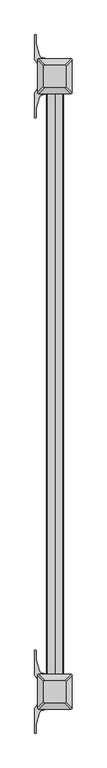
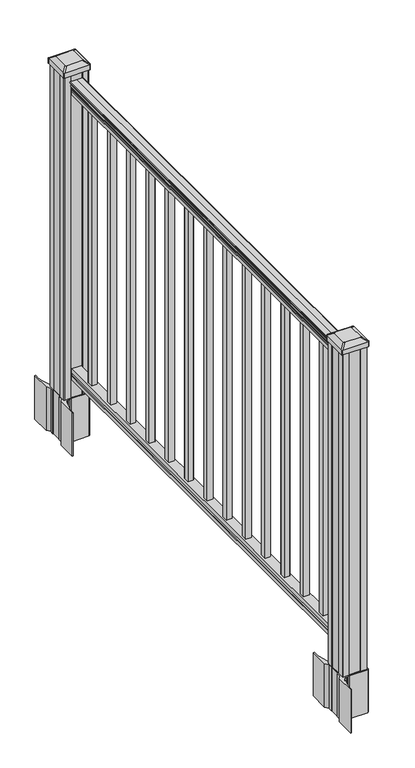
"""IFC4 building model written with IfcOpenShell, lengths in millimetres: railing geometry."""

from ifc_helpers import new_model, si_unit, point, frame, frame_2d, origin, origin_with_axes, place, context, project, spatial, polyline, circle_curve, trimmed, segment, composite_curve, outline, extrude, faceted_brep, source, transform, mapped, element, save
from ifc_brep_helpers import plane_surface, cylinder_surface, revolved_surface, extruded_surface, advanced_brep


def railing_4439e542(model_context):
    return source(origin(), model_context, "Body", "SolidModel", [
        advanced_brep(
        [(3028.4868644, -6376.9137002, 1090.8043297), (3028.4868644, -6376.9137002, 1092.692412), (3029.6170507, -6376.9137002, 1094.2546695), (3029.6170507, -6376.9137002, 1101.4726458), (3028.9677942, -6376.9137002, 1103.9060812), (3031.4677942, -6376.9137002, 1108.2362083), (3032.8771367, -6376.9137002, 1109.9157972), (3033.2790357, -6376.9137002, 1111.0205318), (3033.2790356, -6376.9137002, 1112.3608158), (3031.7255884, -6376.9137002, 1113.914263), (3011.0540356, -6376.9137002, 1113.914263), (2990.3824828, -6376.9137002, 1113.914263), (2988.8290356, -6376.9137002, 1112.3608158), (2988.8290356, -6376.9137002, 1111.0205318), (2989.2309345, -6376.9137002, 1109.9157972), (2990.640277, -6376.9137002, 1108.2362083), (2993.140277, -6376.9137002, 1103.9060812), (2992.4910206, -6376.9137002, 1101.4726458), (2992.4910206, -6376.9137002, 1094.2546695), (2993.6212069, -6376.9137002, 1092.692412), (2993.6212069, -6376.9137002, 1090.8043297), (2996.1950356, -6376.9137002, 1090.8043297), (2996.1950356, -6376.9137002, 1080.3048283), (2995.1790356, -6376.9137002, 1079.2888283), (2995.1790356, -6376.9137002, 1066.8), (3026.9290356, -6376.9137002, 1066.8), (3026.9290356, -6376.9137002, 1079.131013), (3025.9130356, -6376.9137002, 1080.147013), (3025.9130356, -6376.9137002, 1090.8043297), (3028.4868644, -4852.9137002, 1090.8043297), (3025.9130356, -4852.9137002, 1090.8043297), (3025.9130356, -4852.9137002, 1080.147013), (3026.9290356, -4852.9137002, 1079.131013), (3026.9290356, -4852.9137002, 1066.8), (2995.1790356, -4852.9137002, 1066.8), (2995.1790356, -4852.9137002, 1079.2888283), (2996.1950356, -4852.9137002, 1080.3048283), (2996.1950356, -4852.9137002, 1090.8043297), (2993.6212069, -4852.9137002, 1090.8043297), (2993.6212069, -4852.9137002, 1092.692412), (2992.4910206, -4852.9137002, 1094.2546695), (2992.4910206, -4852.9137002, 1101.4726458), (2993.140277, -4852.9137002, 1103.9060812), (2990.640277, -4852.9137002, 1108.2362083), (2989.2309345, -4852.9137002, 1109.9157972), (2988.8290355, -4852.9137002, 1111.0205318), (2988.8290356, -4852.9137002, 1112.3608158), (2990.3824828, -4852.9137002, 1113.914263), (3011.0540356, -4852.9137002, 1113.914263), (3031.7255884, -4852.9137002, 1113.914263), (3033.2790356, -4852.9137002, 1112.3608158), (3033.2790356, -4852.9137002, 1111.0205318), (3032.8771367, -4852.9137002, 1109.9157972), (3031.4677942, -4852.9137002, 1108.2362083), (3028.9677942, -4852.9137002, 1103.9060812), (3029.6170507, -4852.9137002, 1101.4726458), (3029.6170507, -4852.9137002, 1094.2546695), (3028.4868644, -4852.9137002, 1092.692412)],
        [
            (0, 1),
            (1, 2, circle_curve(frame((3022.1721111, -6376.9137002, 1098.4506383), z_axis=(0.0, -1.0, 0.0), x_axis=(-1.0, 0.0, 0.0)), 8.545951)),
            (2, 3, circle_curve(frame((3022.609174, -6376.9137002, 1097.8636577), z_axis=(0.0, -1.0, 0.0), x_axis=(-1.0, 0.0, 0.0)), 7.882584)),
            (3, 4, circle_curve(frame((3033.1224982, -6376.9137002, 1103.7112527), z_axis=(0.0, 1.0, 0.0), x_axis=(-1.0, 0.0, 0.0)), 4.1592695)),
            (4, 5, circle_curve(frame((3034.4098047, -6376.9137002, 1103.6508864), z_axis=(0.0, 1.0, 0.0), x_axis=(-1.0, 0.0, 0.0)), 5.4479907)),
            (5, 6, circle_curve(frame((3033.1766463, -6376.9137002, 1108.233395), z_axis=(0.0, 1.0, 0.0), x_axis=(-1.0, 0.0, 0.0)), 1.7088543)),
            (6, 7, circle_curve(frame((3031.5597462, -6376.9137002, 1111.0205318), z_axis=(0.0, -1.0, 0.0), x_axis=(-1.0, 0.0, 0.0)), 1.7192895)),
            (7, 8),
            (8, 9, circle_curve(frame((3031.7255884, -6376.9137002, 1112.3608158), z_axis=(0.0, -1.0, 0.0), x_axis=(-1.0, 0.0, 0.0)), 1.5534472)),
            (9, 10),
            (10, 11),
            (11, 12, circle_curve(frame((2990.3824828, -6376.9137002, 1112.3608158), z_axis=(0.0, -1.0, 0.0), x_axis=(1.0, 0.0, 0.0)), 1.5534472)),
            (12, 13),
            (13, 14, circle_curve(frame((2990.548325, -6376.9137002, 1111.0205318), z_axis=(0.0, -1.0, 0.0), x_axis=(1.0, 0.0, 0.0)), 1.7192895)),
            (14, 15, circle_curve(frame((2988.931425, -6376.9137002, 1108.233395), z_axis=(0.0, 1.0, 0.0), x_axis=(1.0, 0.0, 0.0)), 1.7088543)),
            (15, 16, circle_curve(frame((2987.6982665, -6376.9137002, 1103.6508864), z_axis=(0.0, 1.0, 0.0), x_axis=(1.0, 0.0, 0.0)), 5.4479907)),
            (16, 17, circle_curve(frame((2988.9855731, -6376.9137002, 1103.7112527), z_axis=(0.0, 1.0, 0.0), x_axis=(1.0, 0.0, 0.0)), 4.1592695)),
            (17, 18, circle_curve(frame((2999.4988972, -6376.9137002, 1097.8636577), z_axis=(0.0, -1.0, 0.0), x_axis=(1.0, 0.0, 0.0)), 7.882584)),
            (18, 19, circle_curve(frame((2999.9359602, -6376.9137002, 1098.4506383), z_axis=(0.0, -1.0, 0.0), x_axis=(1.0, 0.0, 0.0)), 8.545951)),
            (19, 20),
            (20, 21, circle_curve(frame((2994.9081212, -6376.9137002, 1090.8043297), z_axis=(0.0, -1.0, 0.0), x_axis=(1.0, 0.0, 0.0)), 1.2869144)),
            (21, 22),
            (22, 23),
            (23, 24),
            (24, 25),
            (25, 26),
            (26, 27),
            (27, 28),
            (28, 0, circle_curve(frame((3027.19995, -6376.9137002, 1090.8043297), z_axis=(0.0, -1.0, 0.0), x_axis=(-1.0, 0.0, 0.0)), 1.2869144)),
            (29, 30, circle_curve(frame((3027.19995, -4852.9137002, 1090.8043297), z_axis=(0.0, 1.0, 0.0), x_axis=(-1.0, 0.0, 0.0)), 1.2869144)),
            (30, 31),
            (31, 32),
            (32, 33),
            (33, 34),
            (34, 35),
            (35, 36),
            (36, 37),
            (37, 38, circle_curve(frame((2994.9081212, -4852.9137002, 1090.8043297), z_axis=(0.0, 1.0, 0.0), x_axis=(1.0, 0.0, 0.0)), 1.2869144)),
            (38, 39),
            (39, 40, circle_curve(frame((2999.9359602, -4852.9137002, 1098.4506383), z_axis=(0.0, 1.0, 0.0), x_axis=(1.0, 0.0, 0.0)), 8.545951)),
            (40, 41, circle_curve(frame((2999.4988972, -4852.9137002, 1097.8636577), z_axis=(0.0, 1.0, 0.0), x_axis=(1.0, 0.0, 0.0)), 7.882584)),
            (41, 42, circle_curve(frame((2988.9855731, -4852.9137002, 1103.7112527), z_axis=(0.0, -1.0, 0.0), x_axis=(1.0, 0.0, 0.0)), 4.1592695)),
            (42, 43, circle_curve(frame((2987.6982665, -4852.9137002, 1103.6508864), z_axis=(0.0, -1.0, 0.0), x_axis=(1.0, 0.0, 0.0)), 5.4479907)),
            (43, 44, circle_curve(frame((2988.931425, -4852.9137002, 1108.233395), z_axis=(0.0, -1.0, 0.0), x_axis=(1.0, 0.0, 0.0)), 1.7088543)),
            (44, 45, circle_curve(frame((2990.548325, -4852.9137002, 1111.0205318), z_axis=(0.0, 1.0, 0.0), x_axis=(1.0, 0.0, 0.0)), 1.7192895)),
            (45, 46),
            (46, 47, circle_curve(frame((2990.3824828, -4852.9137002, 1112.3608158), z_axis=(0.0, 1.0, 0.0), x_axis=(1.0, 0.0, 0.0)), 1.5534472)),
            (47, 48),
            (48, 49),
            (49, 50, circle_curve(frame((3031.7255884, -4852.9137002, 1112.3608158), z_axis=(0.0, 1.0, 0.0), x_axis=(-1.0, 0.0, 0.0)), 1.5534472)),
            (50, 51),
            (51, 52, circle_curve(frame((3031.5597462, -4852.9137002, 1111.0205318), z_axis=(0.0, 1.0, 0.0), x_axis=(-1.0, 0.0, 0.0)), 1.7192895)),
            (52, 53, circle_curve(frame((3033.1766463, -4852.9137002, 1108.233395), z_axis=(0.0, -1.0, 0.0), x_axis=(-1.0, 0.0, 0.0)), 1.7088543)),
            (53, 54, circle_curve(frame((3034.4098047, -4852.9137002, 1103.6508864), z_axis=(0.0, -1.0, 0.0), x_axis=(-1.0, 0.0, 0.0)), 5.4479907)),
            (54, 55, circle_curve(frame((3033.1224982, -4852.9137002, 1103.7112527), z_axis=(0.0, -1.0, 0.0), x_axis=(-1.0, 0.0, 0.0)), 4.1592695)),
            (55, 56, circle_curve(frame((3022.609174, -4852.9137002, 1097.8636577), z_axis=(0.0, 1.0, 0.0), x_axis=(-1.0, 0.0, 0.0)), 7.882584)),
            (56, 57, circle_curve(frame((3022.1721111, -4852.9137002, 1098.4506383), z_axis=(0.0, 1.0, 0.0), x_axis=(-1.0, 0.0, 0.0)), 8.545951)),
            (57, 29),
            (28, 30),
            (29, 0),
            (27, 31),
            (26, 32),
            (25, 33),
            (24, 34),
            (23, 35),
            (22, 36),
            (21, 37),
            (20, 38),
            (19, 39),
            (18, 40),
            (17, 41),
            (16, 42),
            (15, 43),
            (14, 44),
            (13, 45),
            (12, 46),
            (11, 47),
            (10, 48),
            (9, 49),
            (8, 50),
            (7, 51),
            (6, 52),
            (5, 53),
            (4, 54),
            (3, 55),
            (2, 56),
            (1, 57),
        ],
        [
            plane_surface(frame((3011.0540356, -6376.9137002, 1066.8), z_axis=(0.0, -1.0, 0.0), x_axis=(0.0, 0.0, 1.0))),
            plane_surface(frame((3011.0540356, -4852.9137002, 1066.8), z_axis=(0.0, 1.0, 0.0), x_axis=(0.0, 0.0, 1.0))),
            cylinder_surface(frame((3027.19995, -6376.9137002, 1090.8043297), z_axis=(0.0, -1.0, 0.0), x_axis=(-1.0, 0.0, 0.0)), 1.2869144),
            plane_surface(frame((3025.9130356, -6376.9137002, 1080.147013), z_axis=(1.0, 0.0, 0.0), x_axis=(0.0, 1.0, 0.0))),
            plane_surface(frame((3026.9290356, -6376.9137002, 1079.131013), z_axis=(0.7071067811865395, 0.0, 0.7071067811865556), x_axis=(0.0, 1.0, 0.0))),
            plane_surface(frame((3026.9290356, -6376.9137002, 1066.8), z_axis=(1.0, 0.0, 0.0), x_axis=(0.0, 1.0, 0.0))),
            plane_surface(frame((2995.1790356, -6376.9137002, 1066.8), z_axis=(0.0, 0.0, -1.0), x_axis=(0.0, 1.0, 0.0))),
            plane_surface(frame((2995.1790356, -6376.9137002, 1079.2888283), z_axis=(-1.0, 0.0, 0.0), x_axis=(0.0, 1.0, 0.0))),
            plane_surface(frame((2996.1950356, -6376.9137002, 1080.3048283), z_axis=(-0.7071067811865432, 0.0, 0.707106781186552), x_axis=(0.0, 1.0, 0.0))),
            plane_surface(frame((2996.1950356, -6376.9137002, 1090.8043297), z_axis=(-1.0, 0.0, 0.0), x_axis=(0.0, 1.0, 0.0))),
            cylinder_surface(frame((2994.9081212, -6376.9137002, 1090.8043297), z_axis=(0.0, -1.0, 0.0), x_axis=(1.0, 0.0, 0.0)), 1.2869144),
            plane_surface(frame((2993.6212069, -6376.9137002, 1092.692412), z_axis=(-1.0, 0.0, 0.0), x_axis=(0.0, 1.0, 0.0))),
            cylinder_surface(frame((2999.9359602, -6376.9137002, 1098.4506383), z_axis=(0.0, -1.0, 0.0), x_axis=(1.0, 0.0, 0.0)), 8.545951),
            cylinder_surface(frame((2999.4988972, -6376.9137002, 1097.8636577), z_axis=(0.0, -1.0, 0.0), x_axis=(1.0, 0.0, 0.0)), 7.882584),
            revolved_surface(polyline([(2993.1448425999997, -4852.9137002, 1103.7112527), (2993.1448425999997, -6376.9137002, 1103.7112527)]), (2988.9855731, -6376.9137002, 1103.7112527), (0.0, 1.0, 0.0)),
            revolved_surface(polyline([(2993.1462572, -4852.9137002, 1103.6508864), (2993.1462572, -6376.9137002, 1103.6508864)]), (2987.6982665, -6376.9137002, 1103.6508864), (0.0, 1.0, 0.0)),
            revolved_surface(polyline([(2990.6402793, -4852.9137002, 1108.233395), (2990.6402793, -6376.9137002, 1108.233395)]), (2988.931425, -6376.9137002, 1108.233395), (0.0, 1.0, 0.0)),
            cylinder_surface(frame((2990.548325, -6376.9137002, 1111.0205318), z_axis=(0.0, -1.0, 0.0), x_axis=(1.0, 0.0, 0.0)), 1.7192895),
            plane_surface(frame((2988.8290356, -6376.9137002, 1112.3608158), z_axis=(-1.0, 0.0, 0.0), x_axis=(0.0, 1.0, 0.0))),
            cylinder_surface(frame((2990.3824828, -6376.9137002, 1112.3608158), z_axis=(0.0, -1.0, 0.0), x_axis=(1.0, 0.0, 0.0)), 1.5534472),
            plane_surface(frame((3011.0540356, -6376.9137002, 1113.914263), z_axis=(0.0, 0.0, 1.0), x_axis=(0.0, 1.0, 0.0))),
            plane_surface(frame((3031.7255884, -6376.9137002, 1113.914263), z_axis=(0.0, 0.0, 1.0), x_axis=(0.0, 1.0, 0.0))),
            cylinder_surface(frame((3031.7255884, -6376.9137002, 1112.3608158), z_axis=(0.0, -1.0, 0.0), x_axis=(-1.0, 0.0, 0.0)), 1.5534472),
            plane_surface(frame((3033.2790356, -6376.9137002, 1111.0205318), z_axis=(1.0, 0.0, 0.0), x_axis=(0.0, 1.0, 0.0))),
            cylinder_surface(frame((3031.5597462, -6376.9137002, 1111.0205318), z_axis=(0.0, -1.0, 0.0), x_axis=(-1.0, 0.0, 0.0)), 1.7192895),
            revolved_surface(polyline([(3031.467792, -4852.9137002, 1108.233395), (3031.467792, -6376.9137002, 1108.233395)]), (3033.1766463, -6376.9137002, 1108.233395), (0.0, 1.0, 0.0)),
            revolved_surface(polyline([(3028.9618140000002, -4852.9137002, 1103.6508864), (3028.9618140000002, -6376.9137002, 1103.6508864)]), (3034.4098047, -6376.9137002, 1103.6508864), (0.0, 1.0, 0.0)),
            revolved_surface(polyline([(3028.9632287, -4852.9137002, 1103.7112527), (3028.9632287, -6376.9137002, 1103.7112527)]), (3033.1224982, -6376.9137002, 1103.7112527), (0.0, 1.0, 0.0)),
            cylinder_surface(frame((3022.609174, -6376.9137002, 1097.8636577), z_axis=(0.0, -1.0, 0.0), x_axis=(-1.0, 0.0, 0.0)), 7.882584),
            cylinder_surface(frame((3022.1721111, -6376.9137002, 1098.4506383), z_axis=(0.0, -1.0, 0.0), x_axis=(-1.0, 0.0, 0.0)), 8.545951),
            plane_surface(frame((3028.4868644, -6376.9137002, 1090.8043297), z_axis=(1.0, 0.0, 0.0), x_axis=(0.0, 1.0, 0.0))),
        ],
        [
            (0, [[1, 2, 3, 4, 5, 6, 7, 8, 9, 10, 11, 12, 13, 14, 15, 16, 17, 18, 19, 20, 21, 22, 23, 24, 25, 26, 27, 28, 29]]),
            (1, [[30, 31, 32, 33, 34, 35, 36, 37, 38, 39, 40, 41, 42, 43, 44, 45, 46, 47, 48, 49, 50, 51, 52, 53, 54, 55, 56, 57, 58]]),
            (2, [[-29, 59, -30, 60]]),
            (3, [[-28, 61, -31, -59]]),
            (4, [[-27, 62, -32, -61]]),
            (5, [[-26, 63, -33, -62]]),
            (6, [[-25, 64, -34, -63]]),
            (7, [[-24, 65, -35, -64]]),
            (8, [[-23, 66, -36, -65]]),
            (9, [[-22, 67, -37, -66]]),
            (10, [[-21, 68, -38, -67]]),
            (11, [[-20, 69, -39, -68]]),
            (12, [[-19, 70, -40, -69]]),
            (13, [[-18, 71, -41, -70]]),
            (14, [[-17, 72, -42, -71]]),
            (15, [[-16, 73, -43, -72]]),
            (16, [[-15, 74, -44, -73]]),
            (17, [[-14, 75, -45, -74]]),
            (18, [[-13, 76, -46, -75]]),
            (19, [[-12, 77, -47, -76]]),
            (20, [[-11, 78, -48, -77]]),
            (21, [[-10, 79, -49, -78]]),
            (22, [[-9, 80, -50, -79]]),
            (23, [[-8, 81, -51, -80]]),
            (24, [[-7, 82, -52, -81]]),
            (25, [[-6, 83, -53, -82]]),
            (26, [[-5, 84, -54, -83]]),
            (27, [[-4, 85, -55, -84]]),
            (28, [[-3, 86, -56, -85]]),
            (29, [[-2, 87, -57, -86]]),
            (30, [[-1, -60, -58, -87]]),
        ],
    ),
        faceted_brep([(3026.9665225, -6376.9137002, 76.0541976), (3025.9505225, -6376.9137002, 77.3546183), (3025.9505225, -6376.9137002, 87.7141717), (3026.9665225, -6376.9137002, 89.0624492), (3026.9665225, -6376.9137002, 101.5958781), (2995.2165225, -6376.9137002, 101.5958781), (2995.2165225, -6376.9137002, 89.0458024), (2996.2325225, -6376.9137002, 87.6975248), (2996.2325225, -6376.9137002, 77.3858283), (2995.2165225, -6376.9137002, 76.0375508), (2995.2165225, -6376.9137002, 63.5), (3026.9665225, -6376.9137002, 63.5), (3026.9665225, -4852.9137002, 76.0541976), (3026.9665225, -4852.9137002, 63.5), (2995.2165225, -4852.9137002, 63.5), (2995.2165225, -4852.9137002, 76.0375508), (2996.2325225, -4852.9137002, 77.3858283), (2996.2325225, -4852.9137002, 87.6975248), (2995.2165225, -4852.9137002, 89.0458024), (2995.2165225, -4852.9137002, 101.5958781), (3026.9665225, -4852.9137002, 101.5958781), (3026.9665225, -4852.9137002, 89.0624492), (3025.9505225, -4852.9137002, 87.7141717), (3025.9505225, -4852.9137002, 77.3546183)], [[[0, 1, 2, 3, 4, 5, 6, 7, 8, 9, 10, 11]], [[12, 13, 14, 15, 16, 17, 18, 19, 20, 21, 22, 23]], [[0, 11, 13, 12]], [[11, 10, 14, 13]], [[10, 9, 15, 14]], [[9, 8, 16, 15]], [[8, 7, 17, 16]], [[7, 6, 18, 17]], [[6, 5, 19, 18]], [[5, 4, 20, 19]], [[4, 3, 21, 20]], [[3, 2, 22, 21]], [[2, 1, 23, 22]], [[1, 0, 12, 23]]]),
        extrude(outline(polyline([(3020.5790356, -4955.9107002), (3001.5290356, -4955.9107002), (3001.5290356, -4936.8607002), (3020.5790356, -4936.8607002), (3020.5790356, -4955.9107002)]), holes=[polyline([(3020.1821606, -4955.5138252), (3020.1821606, -4937.2575752), (3001.9259106, -4937.2575752), (3001.9259106, -4955.5138252), (3020.1821606, -4955.5138252)])]), frame((0.0, 0.0, 101.5958781), z_axis=(0.0, 0.0, 1.0), x_axis=(1.0, 0.0, 0.0)), (0.0, 0.0, 1.0), 965.2041219),
        extrude(outline(polyline([(3020.5790356, -5067.1627002), (3001.5290356, -5067.1627002), (3001.5290356, -5048.1127002), (3020.5790356, -5048.1127002), (3020.5790356, -5067.1627002)]), holes=[polyline([(3020.1821606, -5066.7658252), (3020.1821606, -5048.5095752), (3001.9259106, -5048.5095752), (3001.9259106, -5066.7658252), (3020.1821606, -5066.7658252)])]), frame((0.0, 0.0, 101.5958781), z_axis=(0.0, 0.0, 1.0), x_axis=(1.0, 0.0, 0.0)), (0.0, 0.0, 1.0), 965.2041219),
        extrude(outline(polyline([(3020.5790356, -5178.4147002), (3001.5290356, -5178.4147002), (3001.5290356, -5159.3647002), (3020.5790356, -5159.3647002), (3020.5790356, -5178.4147002)]), holes=[polyline([(3020.1821606, -5178.0178252), (3020.1821606, -5159.7615752), (3001.9259106, -5159.7615752), (3001.9259106, -5178.0178252), (3020.1821606, -5178.0178252)])]), frame((0.0, 0.0, 101.5958781), z_axis=(0.0, 0.0, 1.0), x_axis=(1.0, 0.0, 0.0)), (0.0, 0.0, 1.0), 965.2041219),
        extrude(outline(polyline([(3020.5790356, -5289.6667002), (3001.5290356, -5289.6667002), (3001.5290356, -5270.6167002), (3020.5790356, -5270.6167002), (3020.5790356, -5289.6667002)]), holes=[polyline([(3020.1821606, -5289.2698252), (3020.1821606, -5271.0135752), (3001.9259106, -5271.0135752), (3001.9259106, -5289.2698252), (3020.1821606, -5289.2698252)])]), frame((0.0, 0.0, 101.5958781), z_axis=(0.0, 0.0, 1.0), x_axis=(1.0, 0.0, 0.0)), (0.0, 0.0, 1.0), 965.2041219),
        extrude(outline(polyline([(3020.5790356, -5400.9187002), (3001.5290356, -5400.9187002), (3001.5290356, -5381.8687002), (3020.5790356, -5381.8687002), (3020.5790356, -5400.9187002)]), holes=[polyline([(3020.1821606, -5400.5218252), (3020.1821606, -5382.2655752), (3001.9259106, -5382.2655752), (3001.9259106, -5400.5218252), (3020.1821606, -5400.5218252)])]), frame((0.0, 0.0, 101.5958781), z_axis=(0.0, 0.0, 1.0), x_axis=(1.0, 0.0, 0.0)), (0.0, 0.0, 1.0), 965.2041219),
        extrude(outline(polyline([(3020.5790356, -5512.1707002), (3001.5290356, -5512.1707002), (3001.5290356, -5493.1207002), (3020.5790356, -5493.1207002), (3020.5790356, -5512.1707002)]), holes=[polyline([(3020.1821606, -5511.7738252), (3020.1821606, -5493.5175752), (3001.9259106, -5493.5175752), (3001.9259106, -5511.7738252), (3020.1821606, -5511.7738252)])]), frame((0.0, 0.0, 101.5958781), z_axis=(0.0, 0.0, 1.0), x_axis=(1.0, 0.0, 0.0)), (0.0, 0.0, 1.0), 965.2041219),
        extrude(outline(polyline([(3020.5790356, -5623.4227002), (3001.5290356, -5623.4227002), (3001.5290356, -5604.3727002), (3020.5790356, -5604.3727002), (3020.5790356, -5623.4227002)]), holes=[polyline([(3020.1821606, -5623.0258252), (3020.1821606, -5604.7695752), (3001.9259106, -5604.7695752), (3001.9259106, -5623.0258252), (3020.1821606, -5623.0258252)])]), frame((0.0, 0.0, 101.5958781), z_axis=(0.0, 0.0, 1.0), x_axis=(1.0, 0.0, 0.0)), (0.0, 0.0, 1.0), 965.2041219),
        extrude(outline(polyline([(3020.5790356, -5734.6747002), (3001.5290356, -5734.6747002), (3001.5290356, -5715.6247002), (3020.5790356, -5715.6247002), (3020.5790356, -5734.6747002)]), holes=[polyline([(3020.1821606, -5734.2778252), (3020.1821606, -5716.0215752), (3001.9259106, -5716.0215752), (3001.9259106, -5734.2778252), (3020.1821606, -5734.2778252)])]), frame((0.0, 0.0, 101.5958781), z_axis=(0.0, 0.0, 1.0), x_axis=(1.0, 0.0, 0.0)), (0.0, 0.0, 1.0), 965.2041219),
        extrude(outline(polyline([(3020.5790356, -5845.9267002), (3001.5290356, -5845.9267002), (3001.5290356, -5826.8767002), (3020.5790356, -5826.8767002), (3020.5790356, -5845.9267002)]), holes=[polyline([(3020.1821606, -5845.5298252), (3020.1821606, -5827.2735752), (3001.9259106, -5827.2735752), (3001.9259106, -5845.5298252), (3020.1821606, -5845.5298252)])]), frame((0.0, 0.0, 101.5958781), z_axis=(0.0, 0.0, 1.0), x_axis=(1.0, 0.0, 0.0)), (0.0, 0.0, 1.0), 965.2041219),
        extrude(outline(polyline([(3020.5790356, -5957.1787002), (3001.5290356, -5957.1787002), (3001.5290356, -5938.1287002), (3020.5790356, -5938.1287002), (3020.5790356, -5957.1787002)]), holes=[polyline([(3020.1821606, -5956.7818252), (3020.1821606, -5938.5255752), (3001.9259106, -5938.5255752), (3001.9259106, -5956.7818252), (3020.1821606, -5956.7818252)])]), frame((0.0, 0.0, 101.5958781), z_axis=(0.0, 0.0, 1.0), x_axis=(1.0, 0.0, 0.0)), (0.0, 0.0, 1.0), 965.2041219),
        extrude(outline(polyline([(3020.5790356, -6068.4307002), (3001.5290356, -6068.4307002), (3001.5290356, -6049.3807002), (3020.5790356, -6049.3807002), (3020.5790356, -6068.4307002)]), holes=[polyline([(3020.1821606, -6068.0338252), (3020.1821606, -6049.7775752), (3001.9259106, -6049.7775752), (3001.9259106, -6068.0338252), (3020.1821606, -6068.0338252)])]), frame((0.0, 0.0, 101.5958781), z_axis=(0.0, 0.0, 1.0), x_axis=(1.0, 0.0, 0.0)), (0.0, 0.0, 1.0), 965.2041219),
        extrude(outline(polyline([(3020.5790356, -6179.6827002), (3001.5290356, -6179.6827002), (3001.5290356, -6160.6327002), (3020.5790356, -6160.6327002), (3020.5790356, -6179.6827002)]), holes=[polyline([(3020.1821606, -6179.2858252), (3020.1821606, -6161.0295752), (3001.9259106, -6161.0295752), (3001.9259106, -6179.2858252), (3020.1821606, -6179.2858252)])]), frame((0.0, 0.0, 101.5958781), z_axis=(0.0, 0.0, 1.0), x_axis=(1.0, 0.0, 0.0)), (0.0, 0.0, 1.0), 965.2041219),
        extrude(outline(polyline([(3020.5790356, -6290.9347002), (3001.5290356, -6290.9347002), (3001.5290356, -6271.8847002), (3020.5790356, -6271.8847002), (3020.5790356, -6290.9347002)]), holes=[polyline([(3020.1821606, -6290.5378252), (3020.1821606, -6272.2815752), (3001.9259106, -6272.2815752), (3001.9259106, -6290.5378252), (3020.1821606, -6290.5378252)])]), frame((0.0, 0.0, 101.5958781), z_axis=(0.0, 0.0, 1.0), x_axis=(1.0, 0.0, 0.0)), (0.0, 0.0, 1.0), 965.2041219),
        extrude(outline(composite_curve([segment(polyline([(3053.7895356, -4828.8977951), (3055.3770356, -4829.6597951), (3055.3770356, -4852.4617232), (3052.0040586, -4855.8347002), (2990.5443877, -4855.8347002), (2990.5443877, -4856.7554502), (2985.2268439, -4856.7554502), (2985.2268439, -4858.2097049), (2980.1423142, -4858.2097049), (2980.1423142, -4859.4937288), (2978.4750419, -4859.4937288)]), True, "CONTINUOUS"), segment(trimmed(circle_curve(frame_2d((2978.4750419, -4866.5531886)), 7.0594599), [point((2978.4750419, -4859.4937288))], [point((2971.707779, -4864.5431819))], True, "CARTESIAN"), True, "CONTINUOUS"), segment(polyline([(2971.707779, -4864.5431819), (2963.8335848, -4891.053911)]), True, "CONTINUOUS"), segment(trimmed(circle_curve(frame_2d((3018.6180981, -4907.3259607)), 57.15), [point((2963.8335848, -4891.053911))], [point((2961.4680981, -4907.3259607))], True, "CARTESIAN"), True, "CONTINUOUS"), segment(polyline([(2961.4680981, -4907.3259607), (2961.4680981, -4919.3347002), (2958.4680981, -4919.3347002), (2958.4680981, -4854.2472002), (2966.7310356, -4842.9089089), (2966.7310356, -4829.6597951), (2968.3185356, -4828.8977951), (2968.3185356, -4794.1256054), (2966.7310356, -4793.3636054), (2966.7310356, -4780.1144916), (2958.4680981, -4768.7762002), (2958.4680981, -4703.6887002), (2961.4680981, -4703.6887002), (2961.4680981, -4715.6974398)]), True, "CONTINUOUS"), segment(trimmed(circle_curve(frame_2d((3018.6180981, -4715.6974398)), 57.15), [point((2961.4680981, -4715.6974398))], [point((2963.8335848, -4731.9694894))], True, "CARTESIAN"), True, "CONTINUOUS"), segment(polyline([(2963.8335848, -4731.9694894), (2971.707779, -4758.4802185)]), True, "CONTINUOUS"), segment(trimmed(circle_curve(frame_2d((2978.4750419, -4756.4702119)), 7.0594599), [point((2971.707779, -4758.4802185))], [point((2978.4750419, -4763.5296717))], True, "CARTESIAN"), True, "CONTINUOUS"), segment(polyline([(2978.4750419, -4763.5296717), (2980.1423142, -4763.5296717), (2980.1423142, -4764.8136955), (2985.2268439, -4764.8136955), (2985.2268439, -4766.2679502), (2990.5443877, -4766.2679502), (2990.5443877, -4767.1887002), (3052.0040586, -4767.1887002), (3055.3770356, -4770.5616773), (3055.3770356, -4793.3636054), (3053.7895356, -4794.1256054), (3053.7895356, -4828.8977951)]), True, "CONTINUOUS")], self_intersect=False), holes=[polyline([(2969.7790356, -4771.8242002), (2969.7790356, -4851.1992002), (2971.3665356, -4852.7867002), (3008.2908182, -4852.7867002), (3050.7415356, -4852.7867002), (3052.3290356, -4851.1992002), (3052.3290356, -4771.8242002), (3050.7415356, -4770.2367002), (3008.2908182, -4770.2367002), (2971.3665356, -4770.2367002), (2969.7790356, -4771.8242002)])]), frame((0.0, 0.0, -152.4), z_axis=(0.0, 0.0, 1.0), x_axis=(1.0, 0.0, 0.0)), (0.0, 0.0, 1.0), 152.4),
        advanced_brep(
        [(2985.2571606, -4840.4835752, 1165.225), (3036.8509106, -4840.4835752, 1165.225), (3040.0259106, -4837.3085752, 1165.225), (3040.0259106, -4785.7148252, 1165.225), (3036.8509106, -4782.5398252, 1165.225), (2985.2571606, -4782.5398252, 1165.225), (2982.0821606, -4785.7148252, 1165.225), (2982.0821606, -4837.3085752, 1165.225), (2968.9852856, -4856.7554502, 1153.922), (2965.8102856, -4853.5804502, 1153.922), (2965.8102856, -4769.4429502, 1153.922), (2968.9852856, -4766.2679502, 1153.922), (3053.1227856, -4766.2679502, 1153.922), (3056.2977856, -4769.4429502, 1153.922), (3056.2977856, -4853.5804502, 1153.922), (3053.1227856, -4856.7554502, 1153.922)],
        [
            (0, 1),
            (1, 2, circle_curve(frame((3036.8509106, -4837.3085752, 1165.225), z_axis=(0.0, 0.0, 1.0), x_axis=(0.0, 1.0, 0.0)), 3.175)),
            (2, 3),
            (3, 4, circle_curve(frame((3036.8509106, -4785.7148252, 1165.225), z_axis=(0.0, 0.0, 1.0), x_axis=(0.0, 1.0, 0.0)), 3.175)),
            (4, 5),
            (5, 6, circle_curve(frame((2985.2571606, -4785.7148252, 1165.225), z_axis=(0.0, 0.0, 1.0), x_axis=(0.0, 1.0, 0.0)), 3.175)),
            (6, 7),
            (7, 0, circle_curve(frame((2985.2571606, -4837.3085752, 1165.225), z_axis=(0.0, 0.0, 1.0), x_axis=(0.0, 1.0, 0.0)), 3.175)),
            (8, 9, circle_curve(frame((2968.9852856, -4853.5804502, 1153.922), z_axis=(0.0, 0.0, -1.0), x_axis=(0.0, 1.0, 0.0)), 3.175)),
            (9, 10),
            (10, 11, circle_curve(frame((2968.9852856, -4769.4429502, 1153.922), z_axis=(0.0, 0.0, -1.0), x_axis=(0.0, 1.0, 0.0)), 3.175)),
            (11, 12),
            (12, 13, circle_curve(frame((3053.1227856, -4769.4429502, 1153.922), z_axis=(0.0, 0.0, -1.0), x_axis=(0.0, 1.0, 0.0)), 3.175)),
            (13, 14),
            (14, 15, circle_curve(frame((3053.1227856, -4853.5804502, 1153.922), z_axis=(0.0, 0.0, -1.0), x_axis=(0.0, 1.0, 0.0)), 3.175)),
            (15, 8),
            (8, 0),
            (7, 9),
            (6, 10),
            (5, 11),
            (4, 12),
            (3, 13),
            (2, 14),
            (1, 15),
        ],
        [
            plane_surface(frame((3011.0540356, -4811.5117002, 1165.225), z_axis=(0.0, 0.0, 1.0), x_axis=(-1.0, 0.0, 0.0))),
            plane_surface(frame((3011.0540356, -4811.5117002, 1153.922), z_axis=(0.0, 0.0, -1.0), x_axis=(-1.0, 0.0, 0.0))),
            extruded_surface(trimmed(circle_curve(frame((2985.2571606, -4837.3085752, 1165.225), z_axis=(0.0, 0.0, -1.0), x_axis=(0.0, 1.0, 0.0)), 3.175), [point((2985.2571606, -4840.4835752, 1165.225))], [point((2982.0821606, -4837.3085752, 1165.225))], True, "CARTESIAN"), (-16.27187499999991, -16.271875000000364, -11.302999999999884), 25.637972638866284),
            plane_surface(frame((2965.8102856, -4811.5117002, 1153.922), z_axis=(-0.5705009161540777, 0.0, 0.8212969649690409), x_axis=(0.0, 1.0, 0.0))),
            extruded_surface(trimmed(circle_curve(frame((2985.2571606, -4785.7148252, 1165.225), z_axis=(0.0, 0.0, -1.0), x_axis=(0.0, 1.0, 0.0)), 3.175), [point((2982.0821606, -4785.7148252, 1165.225))], [point((2985.2571606, -4782.5398252, 1165.225))], True, "CARTESIAN"), (-16.27187499999991, 16.271874999999454, -11.302999999999884), 25.63797263886571),
            plane_surface(frame((3011.0540356, -4766.2679502, 1153.922), z_axis=(0.0, 0.5705009161540291, 0.8212969649690747), x_axis=(1.0, 0.0, 0.0))),
            extruded_surface(trimmed(circle_curve(frame((3036.8509106, -4785.7148252, 1165.225), z_axis=(0.0, 0.0, -1.0), x_axis=(0.0, 1.0, 0.0)), 3.175), [point((3036.8509106, -4782.5398252, 1165.225))], [point((3040.0259106, -4785.7148252, 1165.225))], True, "CARTESIAN"), (16.27187499999991, 16.271874999999454, -11.302999999999884), 25.63797263886571),
            plane_surface(frame((3056.2977856, -4811.5117002, 1153.922), z_axis=(0.5705009161540143, 0.0, 0.821296964969085), x_axis=(0.0, -1.0, 0.0))),
            extruded_surface(trimmed(circle_curve(frame((3036.8509106, -4837.3085752, 1165.225), z_axis=(0.0, 0.0, -1.0), x_axis=(0.0, 1.0, 0.0)), 3.175), [point((3040.0259106, -4837.3085752, 1165.225))], [point((3036.8509106, -4840.4835752, 1165.225))], True, "CARTESIAN"), (16.27187499999991, -16.271875000000364, -11.302999999999884), 25.637972638866284),
            plane_surface(frame((3011.0540356, -4856.7554502, 1153.922), z_axis=(0.0, -0.570500916154034, 0.8212969649690713), x_axis=(-1.0, 0.0, 0.0))),
        ],
        [
            (0, [[1, 2, 3, 4, 5, 6, 7, 8]]),
            (1, [[9, 10, 11, 12, 13, 14, 15, 16]]),
            (2, [[17, -8, 18, -9]]),
            (3, [[-18, -7, 19, -10]]),
            (4, [[-19, -6, 20, -11]]),
            (5, [[-20, -5, 21, -12]]),
            (6, [[-21, -4, 22, -13]]),
            (7, [[-22, -3, 23, -14]]),
            (8, [[-23, -2, 24, -15]]),
            (9, [[-24, -1, -17, -16]]),
        ],
    ),
        extrude(outline(composite_curve([segment(trimmed(circle_curve(frame_2d((2968.9852856, -4853.5804502)), 3.175), [point((2968.9852856, -4856.7554502))], [point((2965.8102856, -4853.5804502))], False, "CARTESIAN"), True, "CONTINUOUS"), segment(polyline([(2965.8102856, -4853.5804502), (2965.8102856, -4769.4429502)]), True, "CONTINUOUS"), segment(trimmed(circle_curve(frame_2d((2968.9852856, -4769.4429502)), 3.175), [point((2965.8102856, -4769.4429502))], [point((2968.9852856, -4766.2679502))], False, "CARTESIAN"), True, "CONTINUOUS"), segment(polyline([(2968.9852856, -4766.2679502), (3053.1227856, -4766.2679502)]), True, "CONTINUOUS"), segment(trimmed(circle_curve(frame_2d((3053.1227856, -4769.4429502)), 3.175), [point((3053.1227856, -4766.2679502))], [point((3056.2977856, -4769.4429502))], False, "CARTESIAN"), True, "CONTINUOUS"), segment(polyline([(3056.2977856, -4769.4429502), (3056.2977856, -4853.5804502)]), True, "CONTINUOUS"), segment(trimmed(circle_curve(frame_2d((3053.1227856, -4853.5804502)), 3.175), [point((3056.2977856, -4853.5804502))], [point((3053.1227856, -4856.7554502))], False, "CARTESIAN"), True, "CONTINUOUS"), segment(polyline([(3053.1227856, -4856.7554502), (2968.9852856, -4856.7554502)]), True, "CONTINUOUS")], self_intersect=False)), frame((0.0, 0.0, 1136.65), z_axis=(0.0, 0.0, 1.0), x_axis=(1.0, 0.0, 0.0)), (0.0, 0.0, 1.0), 17.272),
        extrude(outline(polyline([(2971.3665356, -4852.7867002), (2969.7790356, -4851.1992002), (2969.7790356, -4831.5777002), (2971.3665356, -4830.8157002), (2971.3665356, -4792.2077002), (2969.7790356, -4791.4457002), (2969.7790356, -4771.8242002), (2971.3665356, -4770.2367002), (2990.9880356, -4770.2367002), (2991.7500356, -4771.8242002), (3030.3580356, -4771.8242002), (3031.1200356, -4770.2367002), (3050.7415356, -4770.2367002), (3052.3290356, -4771.8242002), (3052.3290356, -4791.4457002), (3050.7415356, -4792.2077002), (3050.7415356, -4830.8157002), (3052.3290356, -4831.5777002), (3052.3290356, -4851.1992002), (3050.7415356, -4852.7867002), (3031.1200356, -4852.7867002), (3030.3580356, -4851.1992002), (2991.7500356, -4851.1992002), (2990.9880356, -4852.7867002), (2971.3665356, -4852.7867002)])), origin_with_axes(), (0.0, 0.0, 1.0), 1136.65),
        extrude(outline(composite_curve([segment(polyline([(3053.7895356, -6435.7017951), (3055.3770356, -6436.4637951), (3055.3770356, -6459.2657232), (3052.0040586, -6462.6387002), (2990.5443877, -6462.6387002), (2990.5443877, -6463.5594502), (2985.2268439, -6463.5594502), (2985.2268439, -6465.0137049), (2980.1423142, -6465.0137049), (2980.1423142, -6466.2977288), (2978.4750419, -6466.2977288)]), True, "CONTINUOUS"), segment(trimmed(circle_curve(frame_2d((2978.4750419, -6473.3571886)), 7.0594599), [point((2978.4750419, -6466.2977288))], [point((2971.707779, -6471.3471819))], True, "CARTESIAN"), True, "CONTINUOUS"), segment(polyline([(2971.707779, -6471.3471819), (2963.8335848, -6497.857911)]), True, "CONTINUOUS"), segment(trimmed(circle_curve(frame_2d((3018.6180981, -6514.1299607)), 57.15), [point((2963.8335848, -6497.857911))], [point((2961.4680981, -6514.1299607))], True, "CARTESIAN"), True, "CONTINUOUS"), segment(polyline([(2961.4680981, -6514.1299607), (2961.4680981, -6526.1387002), (2958.4680981, -6526.1387002), (2958.4680981, -6461.0512002), (2966.7310356, -6449.7129089), (2966.7310356, -6436.4637951), (2968.3185356, -6435.7017951), (2968.3185356, -6400.9296054), (2966.7310356, -6400.1676054), (2966.7310356, -6386.9184916), (2958.4680981, -6375.5802002), (2958.4680981, -6310.4927002), (2961.4680981, -6310.4927002), (2961.4680981, -6322.5014398)]), True, "CONTINUOUS"), segment(trimmed(circle_curve(frame_2d((3018.6180981, -6322.5014398)), 57.15), [point((2961.4680981, -6322.5014398))], [point((2963.8335848, -6338.7734894))], True, "CARTESIAN"), True, "CONTINUOUS"), segment(polyline([(2963.8335848, -6338.7734894), (2971.707779, -6365.2842185)]), True, "CONTINUOUS"), segment(trimmed(circle_curve(frame_2d((2978.4750419, -6363.2742119)), 7.0594599), [point((2971.707779, -6365.2842185))], [point((2978.4750419, -6370.3336717))], True, "CARTESIAN"), True, "CONTINUOUS"), segment(polyline([(2978.4750419, -6370.3336717), (2980.1423142, -6370.3336717), (2980.1423142, -6371.6176955), (2985.2268439, -6371.6176955), (2985.2268439, -6373.0719502), (2990.5443877, -6373.0719502), (2990.5443877, -6373.9927002), (3052.0040586, -6373.9927002), (3055.3770356, -6377.3656773), (3055.3770356, -6400.1676054), (3053.7895356, -6400.9296054), (3053.7895356, -6435.7017951)]), True, "CONTINUOUS")], self_intersect=False), holes=[polyline([(2969.7790356, -6378.6282002), (2969.7790356, -6458.0032002), (2971.3665356, -6459.5907002), (3008.2908182, -6459.5907002), (3050.7415356, -6459.5907002), (3052.3290356, -6458.0032002), (3052.3290356, -6378.6282002), (3050.7415356, -6377.0407002), (3008.2908182, -6377.0407002), (2971.3665356, -6377.0407002), (2969.7790356, -6378.6282002)])]), frame((0.0, 0.0, -152.4), z_axis=(0.0, 0.0, 1.0), x_axis=(1.0, 0.0, 0.0)), (0.0, 0.0, 1.0), 152.4),
        advanced_brep(
        [(2985.2571606, -6447.2875752, 1165.225), (3036.8509106, -6447.2875752, 1165.225), (3040.0259106, -6444.1125752, 1165.225), (3040.0259106, -6392.5188252, 1165.225), (3036.8509106, -6389.3438252, 1165.225), (2985.2571606, -6389.3438252, 1165.225), (2982.0821606, -6392.5188252, 1165.225), (2982.0821606, -6444.1125752, 1165.225), (2968.9852856, -6463.5594502, 1153.922), (2965.8102856, -6460.3844502, 1153.922), (2965.8102856, -6376.2469502, 1153.922), (2968.9852856, -6373.0719502, 1153.922), (3053.1227856, -6373.0719502, 1153.922), (3056.2977856, -6376.2469502, 1153.922), (3056.2977856, -6460.3844502, 1153.922), (3053.1227856, -6463.5594502, 1153.922)],
        [
            (0, 1),
            (1, 2, circle_curve(frame((3036.8509106, -6444.1125752, 1165.225), z_axis=(0.0, 0.0, 1.0), x_axis=(0.0, 1.0, 0.0)), 3.175)),
            (2, 3),
            (3, 4, circle_curve(frame((3036.8509106, -6392.5188252, 1165.225), z_axis=(0.0, 0.0, 1.0), x_axis=(0.0, 1.0, 0.0)), 3.175)),
            (4, 5),
            (5, 6, circle_curve(frame((2985.2571606, -6392.5188252, 1165.225), z_axis=(0.0, 0.0, 1.0), x_axis=(0.0, 1.0, 0.0)), 3.175)),
            (6, 7),
            (7, 0, circle_curve(frame((2985.2571606, -6444.1125752, 1165.225), z_axis=(0.0, 0.0, 1.0), x_axis=(0.0, 1.0, 0.0)), 3.175)),
            (8, 9, circle_curve(frame((2968.9852856, -6460.3844502, 1153.922), z_axis=(0.0, 0.0, -1.0), x_axis=(0.0, 1.0, 0.0)), 3.175)),
            (9, 10),
            (10, 11, circle_curve(frame((2968.9852856, -6376.2469502, 1153.922), z_axis=(0.0, 0.0, -1.0), x_axis=(0.0, 1.0, 0.0)), 3.175)),
            (11, 12),
            (12, 13, circle_curve(frame((3053.1227856, -6376.2469502, 1153.922), z_axis=(0.0, 0.0, -1.0), x_axis=(0.0, 1.0, 0.0)), 3.175)),
            (13, 14),
            (14, 15, circle_curve(frame((3053.1227856, -6460.3844502, 1153.922), z_axis=(0.0, 0.0, -1.0), x_axis=(0.0, 1.0, 0.0)), 3.175)),
            (15, 8),
            (8, 0),
            (7, 9),
            (6, 10),
            (5, 11),
            (4, 12),
            (3, 13),
            (2, 14),
            (1, 15),
        ],
        [
            plane_surface(frame((3011.0540356, -6418.3157002, 1165.225), z_axis=(0.0, 0.0, 1.0), x_axis=(-1.0, 0.0, 0.0))),
            plane_surface(frame((3011.0540356, -6418.3157002, 1153.922), z_axis=(0.0, 0.0, -1.0), x_axis=(-1.0, 0.0, 0.0))),
            extruded_surface(trimmed(circle_curve(frame((2985.2571606, -6444.1125752, 1165.225), z_axis=(0.0, 0.0, -1.0), x_axis=(0.0, 1.0, 0.0)), 3.175), [point((2985.2571606, -6447.2875752, 1165.225))], [point((2982.0821606, -6444.1125752, 1165.225))], True, "CARTESIAN"), (-16.27187499999991, -16.271875000000364, -11.302999999999884), 25.637972638866284),
            plane_surface(frame((2965.8102856, -6418.3157002, 1153.922), z_axis=(-0.5705009161540777, 0.0, 0.8212969649690409), x_axis=(0.0, 1.0, 0.0))),
            extruded_surface(trimmed(circle_curve(frame((2985.2571606, -6392.5188252, 1165.225), z_axis=(0.0, 0.0, -1.0), x_axis=(0.0, 1.0, 0.0)), 3.175), [point((2982.0821606, -6392.5188252, 1165.225))], [point((2985.2571606, -6389.3438252, 1165.225))], True, "CARTESIAN"), (-16.27187499999991, 16.271874999999454, -11.302999999999884), 25.63797263886571),
            plane_surface(frame((3011.0540356, -6373.0719502, 1153.922), z_axis=(0.0, 0.5705009161540291, 0.8212969649690747), x_axis=(1.0, 0.0, 0.0))),
            extruded_surface(trimmed(circle_curve(frame((3036.8509106, -6392.5188252, 1165.225), z_axis=(0.0, 0.0, -1.0), x_axis=(0.0, 1.0, 0.0)), 3.175), [point((3036.8509106, -6389.3438252, 1165.225))], [point((3040.0259106, -6392.5188252, 1165.225))], True, "CARTESIAN"), (16.27187499999991, 16.271874999999454, -11.302999999999884), 25.63797263886571),
            plane_surface(frame((3056.2977856, -6418.3157002, 1153.922), z_axis=(0.5705009161540143, 0.0, 0.821296964969085), x_axis=(0.0, -1.0, 0.0))),
            extruded_surface(trimmed(circle_curve(frame((3036.8509106, -6444.1125752, 1165.225), z_axis=(0.0, 0.0, -1.0), x_axis=(0.0, 1.0, 0.0)), 3.175), [point((3040.0259106, -6444.1125752, 1165.225))], [point((3036.8509106, -6447.2875752, 1165.225))], True, "CARTESIAN"), (16.27187499999991, -16.271875000000364, -11.302999999999884), 25.637972638866284),
            plane_surface(frame((3011.0540356, -6463.5594502, 1153.922), z_axis=(0.0, -0.570500916154034, 0.8212969649690713), x_axis=(-1.0, 0.0, 0.0))),
        ],
        [
            (0, [[1, 2, 3, 4, 5, 6, 7, 8]]),
            (1, [[9, 10, 11, 12, 13, 14, 15, 16]]),
            (2, [[17, -8, 18, -9]]),
            (3, [[-18, -7, 19, -10]]),
            (4, [[-19, -6, 20, -11]]),
            (5, [[-20, -5, 21, -12]]),
            (6, [[-21, -4, 22, -13]]),
            (7, [[-22, -3, 23, -14]]),
            (8, [[-23, -2, 24, -15]]),
            (9, [[-24, -1, -17, -16]]),
        ],
    ),
        extrude(outline(composite_curve([segment(trimmed(circle_curve(frame_2d((2968.9852856, -6460.3844502)), 3.175), [point((2968.9852856, -6463.5594502))], [point((2965.8102856, -6460.3844502))], False, "CARTESIAN"), True, "CONTINUOUS"), segment(polyline([(2965.8102856, -6460.3844502), (2965.8102856, -6376.2469502)]), True, "CONTINUOUS"), segment(trimmed(circle_curve(frame_2d((2968.9852856, -6376.2469502)), 3.175), [point((2965.8102856, -6376.2469502))], [point((2968.9852856, -6373.0719502))], False, "CARTESIAN"), True, "CONTINUOUS"), segment(polyline([(2968.9852856, -6373.0719502), (3053.1227856, -6373.0719502)]), True, "CONTINUOUS"), segment(trimmed(circle_curve(frame_2d((3053.1227856, -6376.2469502)), 3.175), [point((3053.1227856, -6373.0719502))], [point((3056.2977856, -6376.2469502))], False, "CARTESIAN"), True, "CONTINUOUS"), segment(polyline([(3056.2977856, -6376.2469502), (3056.2977856, -6460.3844502)]), True, "CONTINUOUS"), segment(trimmed(circle_curve(frame_2d((3053.1227856, -6460.3844502)), 3.175), [point((3056.2977856, -6460.3844502))], [point((3053.1227856, -6463.5594502))], False, "CARTESIAN"), True, "CONTINUOUS"), segment(polyline([(3053.1227856, -6463.5594502), (2968.9852856, -6463.5594502)]), True, "CONTINUOUS")], self_intersect=False)), frame((0.0, 0.0, 1136.65), z_axis=(0.0, 0.0, 1.0), x_axis=(1.0, 0.0, 0.0)), (0.0, 0.0, 1.0), 17.272),
        extrude(outline(polyline([(2971.3665356, -6459.5907002), (2969.7790356, -6458.0032002), (2969.7790356, -6438.3817002), (2971.3665356, -6437.6197002), (2971.3665356, -6399.0117002), (2969.7790356, -6398.2497002), (2969.7790356, -6378.6282002), (2971.3665356, -6377.0407002), (2990.9880356, -6377.0407002), (2991.7500356, -6378.6282002), (3030.3580356, -6378.6282002), (3031.1200356, -6377.0407002), (3050.7415356, -6377.0407002), (3052.3290356, -6378.6282002), (3052.3290356, -6398.2497002), (3050.7415356, -6399.0117002), (3050.7415356, -6437.6197002), (3052.3290356, -6438.3817002), (3052.3290356, -6458.0032002), (3050.7415356, -6459.5907002), (3031.1200356, -6459.5907002), (3030.3580356, -6458.0032002), (2991.7500356, -6458.0032002), (2990.9880356, -6459.5907002), (2971.3665356, -6459.5907002)])), origin_with_axes(), (0.0, 0.0, 1.0), 1136.65),
    ])


if __name__ == "__main__":
    model = new_model("IFC4")
    model_context = context("Model", 3, world=origin())
    ifc_project = project(units=[si_unit("LENGTHUNIT", "METRE", prefix="MILLI")], contexts=[model_context])
    site = spatial("IfcSite", under=ifc_project)
    building = spatial("IfcBuilding", under=site)
    placement = place(None, origin())
    railing_shape = railing_4439e542(model_context)
    element("IfcRailing", 1, at=placement, inside=building, context=model_context, shape_type="MappedRepresentation", body=[
        mapped(railing_shape, transform((0.0, 0.0, 0.0), x_axis=(1.0, 0.0, 0.0), y_axis=(0.0, 1.0, 0.0), z_axis=(0.0, 0.0, 1.0))),
    ])
    save(model, "model.ifc")
